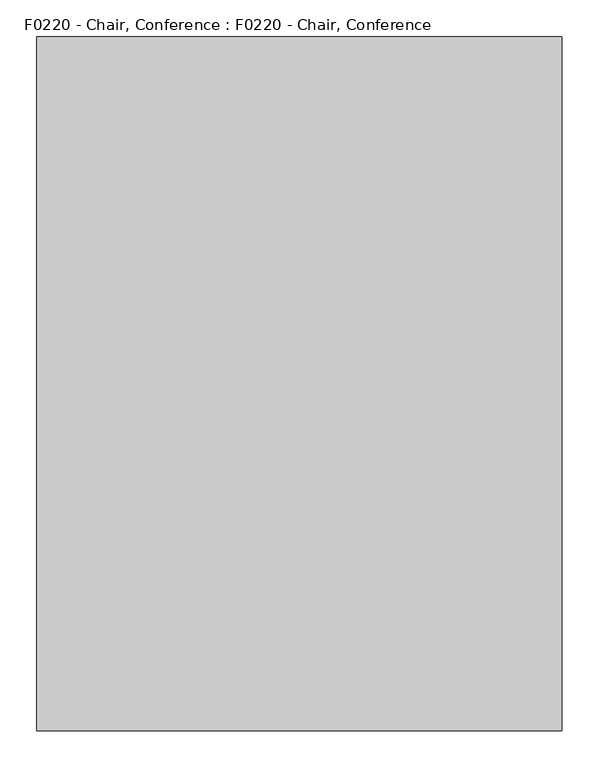
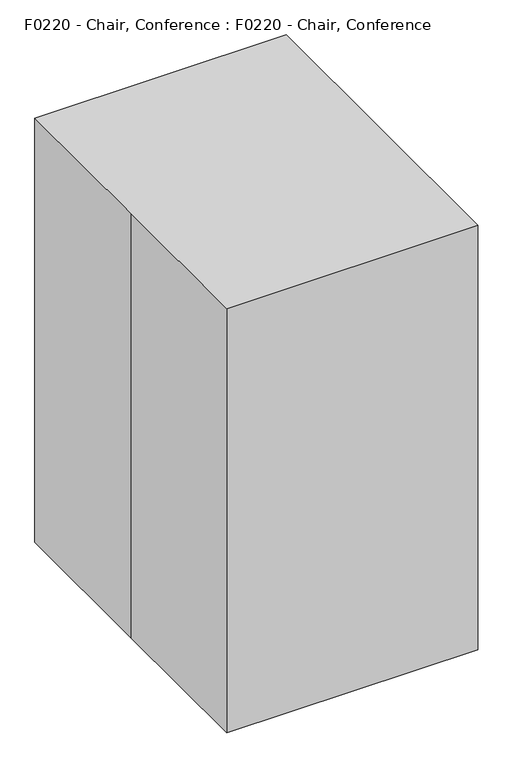
"""IFC4 building model written with IfcOpenShell, lengths in millimetres: proxy geometry, F0220 - Chair, Conference : F0220 - Chair, Conference."""

from ifc_helpers import new_model, si_unit, point, frame, frame_2d, origin, origin_with_axes, place, context, project, spatial, polyline, circle_curve, trimmed, segment, composite_curve, outline, extrude, source, transform, mapped, element, save


def f0220_chair_conference_f0220_chair_conference_24250dec(model_context):
    return source(origin(), model_context, "Body", "SweptSolid", [
        extrude(outline(composite_curve([segment(trimmed(circle_curve(frame_2d((-150.6388016, 708.6004709)), 47.766201), [point((-198.0349358, 714.5348127))], [point((-148.1330889, 756.3009044))], False, "CARTESIAN"), True, "CONTINUOUS"), segment(trimmed(circle_curve(frame_2d((-247.6440644, -1138.0570375)), 1896.9698064), [point((-148.1330889, 756.3009044))], [point((199.5454041, 705.4494109))], False, "CARTESIAN"), True, "CONTINUOUS"), segment(trimmed(circle_curve(frame_2d((191.899909, 673.9314065)), 32.4320551), [point((199.5454041, 705.4494109))], [point((223.0180491, 664.7935973))], False, "CARTESIAN"), True, "CONTINUOUS"), segment(trimmed(circle_curve(frame_2d((3761.6361916, -374.3179053)), 3688.0307853), [point((223.0180491, 664.7935973))], [point((149.3885196, 369.4816842))], True, "CARTESIAN"), True, "CONTINUOUS"), segment(trimmed(circle_curve(frame_2d((130.7253538, 373.6014546)), 19.1124636), [point((149.3885196, 369.4816842))], [point((130.1679679, 354.4971204))], False, "CARTESIAN"), True, "CONTINUOUS"), segment(trimmed(circle_curve(frame_2d((162.2778089, 1455.0580424)), 1101.029239), [point((130.1679679, 354.4971204))], [point((-105.1618297, 387.0030697))], False, "CARTESIAN"), True, "CONTINUOUS"), segment(trimmed(circle_curve(frame_2d((-100.534591, 405.4825492)), 19.05), [point((-105.1618297, 387.0030697))], [point((-118.7343031, 399.8546738))], False, "CARTESIAN"), True, "CONTINUOUS"), segment(trimmed(circle_curve(frame_2d((2805.3800547, 1304.0750987)), 3060.7285659), [point((-118.7343031, 399.8546738))], [point((-198.0349358, 714.5348127))], False, "CARTESIAN"), True, "CONTINUOUS")], self_intersect=False), holes=[composite_curve([segment(trimmed(circle_curve(frame_2d((3763.2236916, -374.3179053)), 3783.2807853), [point((73.1113918, 460.1188599))], [point((126.3422335, 667.9425038))], False, "CARTESIAN"), True, "CONTINUOUS"), segment(trimmed(circle_curve(frame_2d((120.2379556, 669.6918727)), 6.35), [point((126.3422335, 667.9425038))], [point((122.0525094, 675.777092))], True, "CARTESIAN"), True, "CONTINUOUS"), segment(trimmed(circle_curve(frame_2d((-148.2190665, -230.5954958)), 945.8107594), [point((122.0525094, 675.777092))], [point((-158.6222944, 715.1580479))], True, "CARTESIAN"), True, "CONTINUOUS"), segment(trimmed(circle_curve(frame_2d((-158.5019867, 704.2209179)), 10.9377917), [point((-158.6222944, 715.1580479))], [point((-168.8978085, 700.8205979))], True, "CARTESIAN"), True, "CONTINUOUS"), segment(trimmed(circle_curve(frame_2d((759.7794283, 778.2042207)), 931.8957212), [point((-168.8978085, 700.8205979))], [point((-130.8903964, 504.0931145))], True, "CARTESIAN"), True, "CONTINUOUS"), segment(trimmed(circle_curve(frame_2d((-126.680533, 504.9264372)), 4.2915471), [point((-130.8903964, 504.0931145))], [point((-128.3622175, 500.9781067))], True, "CARTESIAN"), True, "CONTINUOUS"), segment(trimmed(circle_curve(frame_2d((101.0132299, 1039.5155642)), 585.350911), [point((-128.3622175, 500.9781067))], [point((66.5438386, 455.1804291))], True, "CARTESIAN"), True, "CONTINUOUS"), segment(trimmed(circle_curve(frame_2d((66.9177692, 461.5194098)), 6.35), [point((66.5438386, 455.1804291))], [point((73.1113918, 460.1188599))], True, "CARTESIAN"), True, "CONTINUOUS")], self_intersect=False), composite_curve([segment(trimmed(circle_curve(frame_2d((-75.1083774, 436.9373529)), 25.4), [point((-100.5083774, 436.9373529))], [point((-49.7083774, 436.9373529))], True, "CARTESIAN"), True, "CONTINUOUS"), segment(trimmed(circle_curve(frame_2d((-75.1083774, 436.9373529)), 25.4), [point((-49.7083774, 436.9373529))], [point((-100.5083774, 436.9373529))], True, "CARTESIAN"), True, "CONTINUOUS")], self_intersect=False)]), frame((-314.9537243, 0.0, 0.0), z_axis=(1.0, 0.0, 0.0), x_axis=(0.0, 1.0, 0.0)), (0.0, 0.0, 1.0), 39.2620143),
        extrude(outline(composite_curve([segment(trimmed(circle_curve(frame_2d((-150.6388016, 708.6004709)), 47.766201), [point((-198.0349358, 714.5348127))], [point((-148.1330889, 756.3009044))], False, "CARTESIAN"), True, "CONTINUOUS"), segment(trimmed(circle_curve(frame_2d((-247.6440644, -1138.0570375)), 1896.9698064), [point((-148.1330889, 756.3009044))], [point((199.5454041, 705.4494109))], False, "CARTESIAN"), True, "CONTINUOUS"), segment(trimmed(circle_curve(frame_2d((191.899909, 673.9314065)), 32.4320551), [point((199.5454041, 705.4494109))], [point((223.0180491, 664.7935973))], False, "CARTESIAN"), True, "CONTINUOUS"), segment(trimmed(circle_curve(frame_2d((3761.6361916, -374.3179053)), 3688.0307853), [point((223.0180491, 664.7935973))], [point((149.3885196, 369.4816842))], True, "CARTESIAN"), True, "CONTINUOUS"), segment(trimmed(circle_curve(frame_2d((130.7253538, 373.6014546)), 19.1124636), [point((149.3885196, 369.4816842))], [point((130.1679679, 354.4971204))], False, "CARTESIAN"), True, "CONTINUOUS"), segment(trimmed(circle_curve(frame_2d((162.2778089, 1455.0580424)), 1101.029239), [point((130.1679679, 354.4971204))], [point((-105.1618297, 387.0030697))], False, "CARTESIAN"), True, "CONTINUOUS"), segment(trimmed(circle_curve(frame_2d((-100.534591, 405.4825492)), 19.05), [point((-105.1618297, 387.0030697))], [point((-118.7343031, 399.8546738))], False, "CARTESIAN"), True, "CONTINUOUS"), segment(trimmed(circle_curve(frame_2d((2805.3800547, 1304.0750987)), 3060.7285659), [point((-118.7343031, 399.8546738))], [point((-198.0349358, 714.5348127))], False, "CARTESIAN"), True, "CONTINUOUS")], self_intersect=False), holes=[composite_curve([segment(trimmed(circle_curve(frame_2d((3763.2236916, -374.3179053)), 3783.2807853), [point((73.1113918, 460.1188599))], [point((126.3422335, 667.9425038))], False, "CARTESIAN"), True, "CONTINUOUS"), segment(trimmed(circle_curve(frame_2d((120.2379556, 669.6918727)), 6.35), [point((126.3422335, 667.9425038))], [point((122.0525094, 675.777092))], True, "CARTESIAN"), True, "CONTINUOUS"), segment(trimmed(circle_curve(frame_2d((-148.2190665, -230.5954958)), 945.8107594), [point((122.0525094, 675.777092))], [point((-158.6222944, 715.1580479))], True, "CARTESIAN"), True, "CONTINUOUS"), segment(trimmed(circle_curve(frame_2d((-158.5019867, 704.2209179)), 10.9377917), [point((-158.6222944, 715.1580479))], [point((-168.8978085, 700.8205979))], True, "CARTESIAN"), True, "CONTINUOUS"), segment(trimmed(circle_curve(frame_2d((759.7794283, 778.2042207)), 931.8957212), [point((-168.8978085, 700.8205979))], [point((-130.8903964, 504.0931145))], True, "CARTESIAN"), True, "CONTINUOUS"), segment(trimmed(circle_curve(frame_2d((-126.680533, 504.9264372)), 4.2915471), [point((-130.8903964, 504.0931145))], [point((-128.3622175, 500.9781067))], True, "CARTESIAN"), True, "CONTINUOUS"), segment(trimmed(circle_curve(frame_2d((101.0132299, 1039.5155642)), 585.350911), [point((-128.3622175, 500.9781067))], [point((66.5438386, 455.1804291))], True, "CARTESIAN"), True, "CONTINUOUS"), segment(trimmed(circle_curve(frame_2d((66.9177692, 461.5194098)), 6.35), [point((66.5438386, 455.1804291))], [point((73.1113918, 460.1188599))], True, "CARTESIAN"), True, "CONTINUOUS")], self_intersect=False), composite_curve([segment(trimmed(circle_curve(frame_2d((-75.1083774, 436.9373529)), 25.4), [point((-100.5083774, 436.9373529))], [point((-49.7083774, 436.9373529))], True, "CARTESIAN"), True, "CONTINUOUS"), segment(trimmed(circle_curve(frame_2d((-75.1083774, 436.9373529)), 25.4), [point((-49.7083774, 436.9373529))], [point((-100.5083774, 436.9373529))], True, "CARTESIAN"), True, "CONTINUOUS")], self_intersect=False)]), frame((271.12451, 0.0, 0.0), z_axis=(1.0, 0.0, 0.0), x_axis=(0.0, 1.0, 0.0)), (0.0, 0.0, 1.0), 39.2620143),
        extrude(outline(composite_curve([segment(trimmed(circle_curve(frame_2d((37.6202721, 1053.676488)), 683.5157514), [point((111.7421407, 374.1915867))], [point((-134.5247888, 392.1934115))], False, "CARTESIAN"), True, "CONTINUOUS"), segment(trimmed(circle_curve(frame_2d((506.6033889, 2855.7868315)), 2545.6507771), [point((-134.5247888, 392.1934115))], [point((-347.9694417, 457.8620711))], False, "CARTESIAN"), True, "CONTINUOUS"), segment(trimmed(circle_curve(frame_2d((-339.6116127, 481.3140746)), 24.8967824), [point((-347.9694417, 457.8620711))], [point((-362.6416414, 471.8553457))], False, "CARTESIAN"), True, "CONTINUOUS"), segment(trimmed(circle_curve(frame_2d((98.7973004, 632.0292447)), 488.4481292), [point((-362.6416414, 471.8553457))], [point((-375.3000584, 514.4993794))], False, "CARTESIAN"), True, "CONTINUOUS"), segment(trimmed(circle_curve(frame_2d((-374.0108609, 514.8189745)), 1.3282211), [point((-375.3000584, 514.4993794))], [point((-373.7715771, 516.1254639))], False, "CARTESIAN"), True, "CONTINUOUS"), segment(trimmed(circle_curve(frame_2d((4835.7008841, 28959.843718)), 28916.8413116), [point((-373.7715771, 516.1254639))], [point((101.095609, 433.2381658))], True, "CARTESIAN"), True, "CONTINUOUS"), segment(trimmed(circle_curve(frame_2d((372.6484361, 451.7180208)), 272.1809011), [point((101.095609, 433.2381658))], [point((111.7421407, 374.1915867))], True, "CARTESIAN"), True, "CONTINUOUS")], self_intersect=False)), frame((-231.12451, 0.0, 0.0), z_axis=(1.0, 0.0, 0.0), x_axis=(0.0, 1.0, 0.0)), (0.0, 0.0, 1.0), 462.24902),
        extrude(outline(composite_curve([segment(trimmed(circle_curve(frame_2d((4835.7008841, 28959.843718)), 28916.8413116), [point((100.1936839, 433.3878744))], [point((-368.6918771, 515.1955847))], False, "CARTESIAN"), True, "CONTINUOUS"), segment(polyline([(-368.6918771, 515.1955847), (-375.5072388, 534.9888325)]), True, "CONTINUOUS"), segment(trimmed(circle_curve(frame_2d((-337.8714769, 547.9478646)), 39.8043602), [point((-375.5072388, 534.9888325))], [point((-329.2387988, 586.8048326))], False, "CARTESIAN"), True, "CONTINUOUS"), segment(polyline([(-329.2387988, 586.8048326), (57.4821948, 497.5699695)]), True, "CONTINUOUS"), segment(trimmed(circle_curve(frame_2d((44.8596958, 442.8672983)), 56.1400902), [point((57.4821948, 497.5699695))], [point((100.1936839, 433.3878744))], False, "CARTESIAN"), True, "CONTINUOUS")], self_intersect=False)), frame((-231.12451, 0.0, 0.0), z_axis=(1.0, 0.0, 0.0), x_axis=(0.0, 1.0, 0.0)), (0.0, 0.0, 1.0), 462.24902),
        extrude(outline(composite_curve([segment(polyline([(295.9217875, 756.8482485), (257.4089128, 673.6594855)]), True, "CONTINUOUS"), segment(trimmed(circle_curve(frame_2d((980.7819949, 338.7683792)), 797.1327801), [point((257.4089128, 673.6594855))], [point((185.0647937, 386.2531624))], True, "CARTESIAN"), True, "CONTINUOUS"), segment(trimmed(circle_curve(frame_2d((37.6202721, 1053.676488)), 683.5157514), [point((185.0647937, 386.2531624))], [point((111.7421407, 374.1915867))], False, "CARTESIAN"), True, "CONTINUOUS"), segment(trimmed(circle_curve(frame_2d((372.6484361, 451.7180208)), 272.1809011), [point((111.7421407, 374.1915867))], [point((100.8041808, 438.1849573))], False, "CARTESIAN"), True, "CONTINUOUS"), segment(trimmed(circle_curve(frame_2d((44.8596958, 442.8672983)), 56.1400902), [point((100.8041808, 438.1849573))], [point((93.4923537, 470.9132304))], True, "CARTESIAN"), True, "CONTINUOUS"), segment(trimmed(circle_curve(frame_2d((25.2199729, 533.915415)), 92.8999099), [point((93.4923537, 470.9132304))], [point((117.9905419, 529.014927))], True, "CARTESIAN"), True, "CONTINUOUS"), segment(trimmed(circle_curve(frame_2d((464.9356368, 529.014927)), 346.945095), [point((117.9905419, 529.014927))], [point((168.0167595, 708.4865938))], False, "CARTESIAN"), True, "CONTINUOUS"), segment(trimmed(circle_curve(frame_2d((-622.2402424, 1186.1549138)), 923.4030285), [point((168.0167595, 708.4865938))], [point((294.5727558, 1076.0318949))], True, "CARTESIAN"), True, "CONTINUOUS"), segment(trimmed(circle_curve(frame_2d((333.0109639, 1071.4148884)), 38.7145011), [point((294.5727558, 1076.0318949))], [point((333.7884545, 1110.1215817))], False, "CARTESIAN"), True, "CONTINUOUS"), segment(trimmed(circle_curve(frame_2d((425.1925283, 1320.5559632)), 229.4282755), [point((333.7884545, 1110.1215817))], [point((369.341096, 1098.0296701))], True, "CARTESIAN"), True, "CONTINUOUS"), segment(trimmed(circle_curve(frame_2d((620.7785538, 1012.5125498)), 265.5823282), [point((369.341096, 1098.0296701))], [point((358.8102884, 1056.1771922))], True, "CARTESIAN"), True, "CONTINUOUS"), segment(polyline([(358.8102884, 1056.1771922), (352.912507, 1020.7931497)]), True, "CONTINUOUS"), segment(trimmed(circle_curve(frame_2d((311.3311922, 1022.0586876)), 41.6005688), [point((352.912507, 1020.7931497))], [point((351.0750151, 1009.7690224))], False, "CARTESIAN"), True, "CONTINUOUS"), segment(trimmed(circle_curve(frame_2d((359.4080387, 996.1168162)), 15.994437), [point((351.0750151, 1009.7690224))], [point((343.4429244, 997.0848768))], True, "CARTESIAN"), True, "CONTINUOUS"), segment(polyline([(343.4429244, 997.0848768), (338.5503906, 916.3979206)]), True, "CONTINUOUS"), segment(trimmed(circle_curve(frame_2d((-1417.0681516, 1299.9958146)), 1797.0375094), [point((338.5503906, 916.3979206))], [point((295.9217875, 756.8482485))], False, "CARTESIAN"), True, "CONTINUOUS")], self_intersect=False)), frame((-254.858255, 0.0, 0.0), z_axis=(1.0, 0.0, 0.0), x_axis=(0.0, 1.0, 0.0)), (0.0, 0.0, 1.0), 503.733745),
        extrude(outline(polyline([(-355.6, 469.9), (355.6, 469.9), (355.6, -469.9), (-355.6, -469.9), (-355.6, 0.0), (-355.6, 469.9)])), origin_with_axes(), (0.0, 0.0, 1.0), 1270.0),
        extrude(outline(composite_curve([segment(trimmed(circle_curve(frame_2d((-0.6296958, 64.6591719)), 25.4), [point((-26.0296958, 64.6591719))], [point((24.7703042, 64.6591719))], False, "CARTESIAN"), True, "CONTINUOUS"), segment(trimmed(circle_curve(frame_2d((-0.6296958, 64.6591719)), 25.4), [point((24.7703042, 64.6591719))], [point((-26.0296958, 64.6591719))], False, "CARTESIAN"), True, "CONTINUOUS")], self_intersect=False)), frame((0.0, 0.0, 52.893233), z_axis=(0.0, 0.0, 1.0), x_axis=(1.0, 0.0, 0.0)), (0.0, 0.0, 1.0), 330.5914056),
        extrude(outline(composite_curve([segment(trimmed(circle_curve(frame_2d((0.0, -28.2002727)), 28.2002727), [point((0.0, -56.4005454))], [point((0.0, 0.0))], False, "CARTESIAN"), True, "CONTINUOUS"), segment(trimmed(circle_curve(frame_2d((0.0, -28.2002727)), 28.2002727), [point((0.0, 0.0))], [point((0.0, -56.4005454))], False, "CARTESIAN"), True, "CONTINUOUS")], self_intersect=False)), frame((335.9998329, 147.3295956, 27.493233), z_axis=(-0.3090169943749423, 0.9510565162951553, 0.0), x_axis=(0.0, 0.0, 1.0)), (0.0, 0.0, 1.0), 50.8),
        extrude(outline(composite_curve([segment(polyline([(-25.4, 0.0), (0.0, 0.0), (0.0, -50.8), (-24.303053, -50.8)]), True, "CONTINUOUS"), segment(trimmed(circle_curve(frame_2d((-24.303053, -25.4)), 25.4), [point((-24.303053, -50.8))], [point((-49.3171699, -29.8106636))], False, "CARTESIAN"), True, "CONTINUOUS"), segment(polyline([(-49.3171699, -29.8106636), (-101.6, 266.7), (-101.6, 292.1000001), (-25.4, 292.1000001), (-25.4, 0.0)]), True, "CONTINUOUS")], self_intersect=False)), frame((279.1361706, 148.8838271, 27.493233), z_axis=(-0.3090169943749423, 0.9510565162951553, 0.0), x_axis=(0.0, 0.0, -1.0)), (0.0, 0.0, 1.0), 12.7),
        extrude(outline(composite_curve([segment(trimmed(circle_curve(frame_2d((0.0, -28.2002727)), 28.2002727), [point((0.0, -56.4005455))], [point((0.0, 0.0))], False, "CARTESIAN"), True, "CONTINUOUS"), segment(trimmed(circle_curve(frame_2d((0.0, -28.2002727)), 28.2002727), [point((0.0, 0.0))], [point((0.0, -56.4005455))], False, "CARTESIAN"), True, "CONTINUOUS")], self_intersect=False)), frame((182.0187946, -229.9479691, 27.493233), z_axis=(0.8090169943749499, 0.5877852522924699, 0.0), x_axis=(0.0, 0.0, 1.0)), (0.0, 0.0, 1.0), 50.8),
        extrude(outline(composite_curve([segment(polyline([(-25.4, 0.0), (0.0, 0.0), (0.0, -50.8), (-24.303053, -50.8)]), True, "CONTINUOUS"), segment(trimmed(circle_curve(frame_2d((-24.303053, -25.4)), 25.4), [point((-24.303053, -50.8))], [point((-49.3171699, -29.8106638))], False, "CARTESIAN"), True, "CONTINUOUS"), segment(polyline([(-49.3171699, -29.8106638), (-101.6, 266.7), (-101.6, 292.1), (-25.4, 292.1), (-25.4, 0.0)]), True, "CONTINUOUS")], self_intersect=False)), frame((165.9251185, -175.3871285, 27.493233), z_axis=(0.8090169943749499, 0.5877852522924699, 0.0), x_axis=(0.0, 0.0, -1.0)), (0.0, 0.0, 1.0), 12.7),
        extrude(outline(composite_curve([segment(trimmed(circle_curve(frame_2d((0.0, -28.2002727)), 28.2002727), [point((0.0, -56.4005455))], [point((0.0, 0.0))], False, "CARTESIAN"), True, "CONTINUOUS"), segment(trimmed(circle_curve(frame_2d((0.0, -28.2002727)), 28.2002727), [point((0.0, 0.0))], [point((0.0, -56.4005455))], False, "CARTESIAN"), True, "CONTINUOUS")], self_intersect=False)), frame((-183.2781861, -229.9479691, 27.493233), z_axis=(-0.8090169943749458, 0.5877852522924754, 0.0), x_axis=(0.0, 0.0, -1.0)), (0.0, 0.0, 1.0), 50.8),
        extrude(outline(composite_curve([segment(polyline([(25.4, 0.0), (25.4, 292.1), (101.6, 292.1), (101.6, 266.6999999), (49.3171699, -29.8106638)]), True, "CONTINUOUS"), segment(trimmed(circle_curve(frame_2d((24.303053, -25.4000001)), 25.4), [point((49.3171699, -29.8106638))], [point((24.303053, -50.8))], False, "CARTESIAN"), True, "CONTINUOUS"), segment(polyline([(24.303053, -50.8), (0.0, -50.8), (0.0, 0.0), (25.4, 0.0)]), True, "CONTINUOUS")], self_intersect=False)), frame((-167.18451, -175.3871285, 27.493233), z_axis=(-0.8090169943749459, 0.5877852522924754, 0.0), x_axis=(0.0, 0.0, 1.0)), (0.0, 0.0, 1.0), 12.7),
        extrude(outline(composite_curve([segment(trimmed(circle_curve(frame_2d((0.0, -28.2002727)), 28.2002727), [point((0.0, -56.4005455))], [point((0.0, 0.0))], False, "CARTESIAN"), True, "CONTINUOUS"), segment(trimmed(circle_curve(frame_2d((0.0, -28.2002727)), 28.2002727), [point((0.0, 0.0))], [point((0.0, -56.4005455))], False, "CARTESIAN"), True, "CONTINUOUS")], self_intersect=False)), frame((-337.2592245, 147.3295956, 27.493233), z_axis=(0.3090169943749487, 0.9510565162951532, 0.0), x_axis=(0.0, 0.0, -1.0)), (0.0, 0.0, 1.0), 50.8),
        extrude(outline(composite_curve([segment(polyline([(25.4, 0.0), (25.4, 292.1), (101.6, 292.1), (101.6, 266.7), (49.3171699, -29.8106637)]), True, "CONTINUOUS"), segment(trimmed(circle_curve(frame_2d((24.303053, -25.4)), 25.4), [point((49.3171699, -29.8106637))], [point((24.303053, -50.8))], False, "CARTESIAN"), True, "CONTINUOUS"), segment(polyline([(24.303053, -50.8), (0.0, -50.8), (0.0, 0.0), (25.4, 0.0)]), True, "CONTINUOUS")], self_intersect=False)), frame((-280.3955621, 148.8838271, 27.493233), z_axis=(0.3090169943749487, 0.9510565162951532, 0.0), x_axis=(0.0, 0.0, 1.0)), (0.0, 0.0, 1.0), 12.7),
        extrude(outline(composite_curve([segment(trimmed(circle_curve(frame_2d((382.1591719, 27.493233)), 28.2002727), [point((353.9588992, 27.493233))], [point((410.3594446, 27.493233))], False, "CARTESIAN"), True, "CONTINUOUS"), segment(trimmed(circle_curve(frame_2d((382.1591719, 27.493233)), 28.2002727), [point((410.3594446, 27.493233))], [point((353.9588992, 27.493233))], False, "CARTESIAN"), True, "CONTINUOUS")], self_intersect=False)), frame((-26.0296958, 0.0, 0.0), z_axis=(1.0, 0.0, 0.0), x_axis=(0.0, 1.0, 0.0)), (0.0, 0.0, 1.0), 50.8),
        extrude(outline(composite_curve([segment(polyline([(356.7591719, 52.893233), (64.6591719, 52.893233), (64.6591719, 129.093233), (90.0591719, 129.093233), (386.5698356, 76.8104029)]), True, "CONTINUOUS"), segment(trimmed(circle_curve(frame_2d((382.1591719, 51.796286)), 25.4), [point((386.5698356, 76.8104029))], [point((407.5591719, 51.796286))], False, "CARTESIAN"), True, "CONTINUOUS"), segment(polyline([(407.5591719, 51.796286), (407.5591719, 27.493233), (356.7591719, 27.493233), (356.7591719, 52.893233)]), True, "CONTINUOUS")], self_intersect=False)), frame((-6.9796958, 0.0, 0.0), z_axis=(1.0, 0.0, 0.0), x_axis=(0.0, 1.0, 0.0)), (0.0, 0.0, 1.0), 12.7),
        extrude(outline(polyline([(115.4591719, 523.093233), (115.4591719, 510.393233), (64.6591719, 422.405052), (26.5591719, 422.405052), (26.5591719, 523.093233), (115.4591719, 523.093233)])), frame((-51.4296958, 0.0, 0.0), z_axis=(1.0, 0.0, 0.0), x_axis=(0.0, 1.0, 0.0)), (0.0, 0.0, 1.0), 101.6),
    ])


if __name__ == "__main__":
    model = new_model("IFC4")
    model_context = context("Model", 3, world=origin())
    ifc_project = project(units=[si_unit("LENGTHUNIT", "METRE", prefix="MILLI")], contexts=[model_context])
    site = spatial("IfcSite", under=ifc_project)
    building = spatial("IfcBuilding", under=site)
    placement = place(None, origin())
    f0220_chair_conference_f0220_chair_conference_shape = f0220_chair_conference_f0220_chair_conference_24250dec(model_context)
    element("IfcBuildingElementProxy", 1, Name="F0220 - Chair, Conference : F0220 - Chair, Conference", ObjectType="F0220 - Chair, Conference : F0220 - Chair, Conference", at=placement, inside=building, context=model_context, shape_type="MappedRepresentation", body=[
        mapped(f0220_chair_conference_f0220_chair_conference_shape, transform((0.0, 0.0, 0.0), x_axis=(1.0, 0.0, 0.0), y_axis=(0.0, 1.0, 0.0), z_axis=(0.0, 0.0, 1.0))),
    ])
    save(model, "model.ifc")
